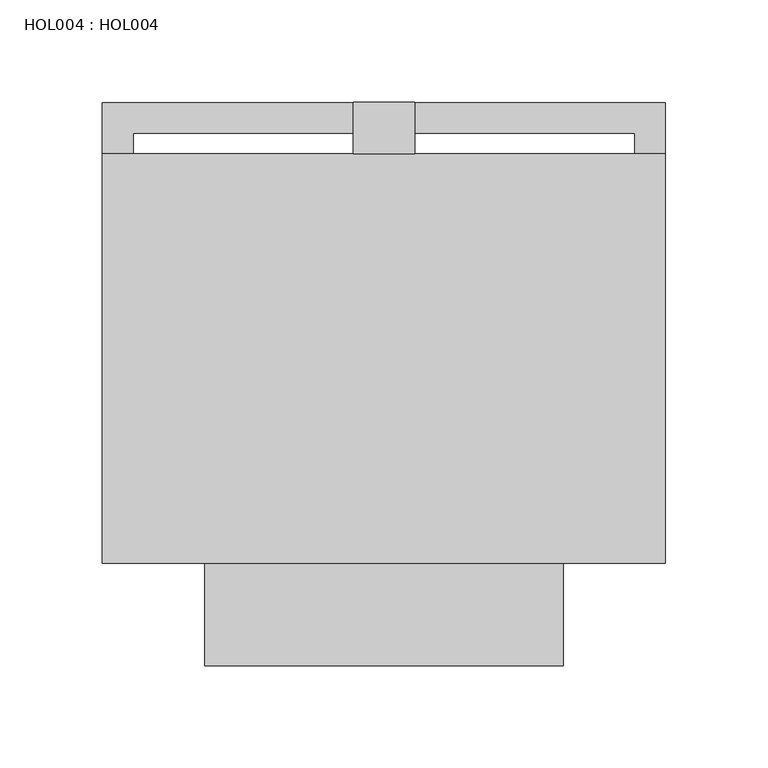
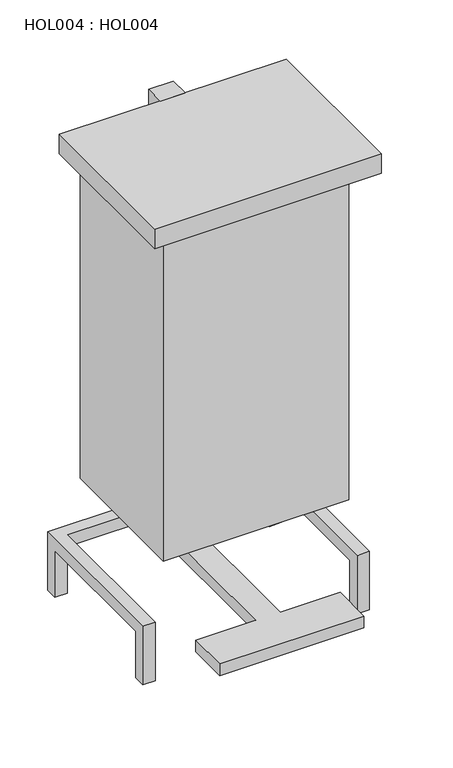
"""IFC4 building model written with IfcOpenShell, lengths in millimetres: proxy geometry, HOL004 : HOL004."""

import ifcopenshell
import ifcopenshell.guid

model = None  # the IFC model being written
_history = None  # IfcOwnerHistory: only IFC2X3 demands one
_inside = {}  # id of a spatial element -> (the spatial element, [elements in it])
_under = {}  # id of a project, library or spatial element -> (it, [spatial elements below it])
_declared = {}  # id of a project -> (the project, [libraries it declares])
_typed = {}  # id of a type object -> (the type object, [elements of that type])
_made_of = {}  # id of a material, layer set ... -> (it, [elements and type objects made of it])


def new_model(schema):
    """Start an empty IFC model of exactly this schema.

    Asked for "IFC4X3", IfcOpenShell would pick the latest addendum, in which some entities
    have other attributes; the version numbers below select the first issue.
    IFC2X3 requires an IfcOwnerHistory on every rooted entity: one is made here for all.
    """
    global model, _history
    if schema == "IFC4X3":
        model = ifcopenshell.file(schema_version=(4, 3, 0, 0))
    else:
        model = ifcopenshell.file(schema=schema)
    _inside.clear()
    _under.clear()
    _declared.clear()
    _typed.clear()
    _made_of.clear()
    _history = None
    if model.schema == "IFC2X3":
        org = make("IfcOrganization", Name="unknown")
        user = make(
            "IfcPersonAndOrganization",
            ThePerson=make("IfcPerson", FamilyName="unknown"),
            TheOrganization=org,
        )
        app = make(
            "IfcApplication",
            ApplicationDeveloper=org,
            Version="unknown",
            ApplicationFullName="unknown",
            ApplicationIdentifier="unknown",
        )
        _history = make(
            "IfcOwnerHistory",
            OwningUser=user,
            OwningApplication=app,
            ChangeAction="ADDED",
            CreationDate=0,
        )
    return model


def make(cls, **values):
    """One entity of the class cls with the attributes given. An attribute that is None is left unset."""
    return model.create_entity(
        cls, **{name: value for name, value in values.items() if value is not None}
    )


def rooted(cls, **values):
    """An entity with a GlobalId (a new one), such as an element, a storey or a relation."""
    return make(cls, GlobalId=ifcopenshell.guid.new(), OwnerHistory=_history, **values)


def si_unit(unit_type, name, prefix=None):
    """IfcSIUnit, for example si_unit("LENGTHUNIT", "METRE", prefix="MILLI")."""
    return make("IfcSIUnit", UnitType=unit_type, Prefix=prefix, Name=name)


def assignment(units):
    """IfcUnitAssignment: the units of a project."""
    return None if units is None else make("IfcUnitAssignment", Units=units)


def point(xyz):
    """IfcCartesianPoint."""
    return None if xyz is None else make("IfcCartesianPoint", Coordinates=xyz)


def direction(xyz):
    """IfcDirection."""
    return None if xyz is None else make("IfcDirection", DirectionRatios=xyz)


def frame(location, z_axis=None, x_axis=None):
    """IfcAxis2Placement3D, a coordinate frame: its origin and axes. An axis left out is left unset."""
    return make(
        "IfcAxis2Placement3D",
        Location=point(location),
        Axis=direction(z_axis),
        RefDirection=direction(x_axis),
    )


def origin():
    """The frame at (0, 0, 0) with its axes left unset."""
    return frame((0.0, 0.0, 0.0))


def place(relative_to, where):
    """IfcLocalPlacement: puts the frame where relative to a parent placement (None: the world)."""
    return make(
        "IfcLocalPlacement", PlacementRelTo=relative_to, RelativePlacement=where
    )


def context(
    kind, dimensions, precision=None, world=None, true_north=None, identifier=None
):
    """IfcGeometricRepresentationContext, for example the 3D "Model" context."""
    return make(
        "IfcGeometricRepresentationContext",
        ContextIdentifier=identifier,
        ContextType=kind,
        CoordinateSpaceDimension=dimensions,
        Precision=precision,
        WorldCoordinateSystem=world,
        TrueNorth=true_north,
    )


def project(units=None, contexts=None):
    """IfcProject with its units and contexts."""
    return rooted(
        "IfcProject",
        Name="project",
        RepresentationContexts=contexts,
        UnitsInContext=assignment(units),
    )


def spatial(cls, under=None, at=None, **own):
    """A site, building, storey or space (cls), placed at a placement, below another one or the project."""
    s = rooted(cls, ObjectPlacement=at, **own)
    if under is not None:
        _under.setdefault(under.id(), (under, []))[1].append(s)
    return s


def polyline(points):
    """IfcPolyline through the points."""
    return make("IfcPolyline", Points=[point(p) for p in points])


def outline(outer, holes=None, kind="AREA"):
    """IfcArbitraryClosedProfileDef: a profile drawn as a closed curve; with holes, ...WithVoids."""
    if holes is None:
        return make("IfcArbitraryClosedProfileDef", ProfileType=kind, OuterCurve=outer)
    return make(
        "IfcArbitraryProfileDefWithVoids",
        ProfileType=kind,
        OuterCurve=outer,
        InnerCurves=holes,
    )


def extrude(swept, where, along, depth):
    """IfcExtrudedAreaSolid: the profile swept, set in the frame where, extruded along a direction by depth."""
    return make(
        "IfcExtrudedAreaSolid",
        SweptArea=swept,
        Position=where,
        ExtrudedDirection=direction(along),
        Depth=depth,
    )


def faces_of(points, faces, orient=None, outer=None):
    """IfcFace entities. A face is a list of loops; a loop is a list of indices into points, from 0.

    orient and outer hold one flag for each loop. By default every Orientation is true, the
    first loop of a face is its IfcFaceOuterBound and the others are IfcFaceBound.
    """
    made = []
    for i, loops in enumerate(faces):
        bounds = []
        for j, loop in enumerate(loops):
            is_outer = j == 0 if outer is None else outer[i][j]
            bounds.append(
                make(
                    "IfcFaceOuterBound" if is_outer else "IfcFaceBound",
                    Bound=make("IfcPolyLoop", Polygon=[points[k] for k in loop]),
                    Orientation=True if orient is None else orient[i][j],
                )
            )
        made.append(make("IfcFace", Bounds=bounds))
    return made


def faceted_brep(points, faces, orient=None, outer=None, voids=None):
    """IfcFacetedBrep: a solid bounded by flat faces; with voids (closed shells), ...WithVoids."""
    shared = [point(p) for p in points]
    hull = make("IfcClosedShell", CfsFaces=faces_of(shared, faces, orient, outer))
    if voids is None:
        return make("IfcFacetedBrep", Outer=hull)
    return make(
        "IfcFacetedBrepWithVoids",
        Outer=hull,
        Voids=[
            make(cls, CfsFaces=faces_of(shared, fs, o, b)) for cls, fs, o, b in voids
        ],
    )


def shape(context_of_items, identifier, shape_type, items):
    """IfcShapeRepresentation: the items that make up one representation, for example the "Body"."""
    return make(
        "IfcShapeRepresentation",
        ContextOfItems=context_of_items,
        RepresentationIdentifier=identifier,
        RepresentationType=shape_type,
        Items=items,
    )


def source(mapping_origin, context_of_items, identifier, shape_type, items):
    """IfcRepresentationMap: a shape defined once, which mapped items show again and again."""
    return make(
        "IfcRepresentationMap",
        MappingOrigin=mapping_origin,
        MappedRepresentation=shape(context_of_items, identifier, shape_type, items),
    )


def transform(
    local_origin,
    x_axis=None,
    y_axis=None,
    z_axis=None,
    scale=None,
    scale2=None,
    scale3=None,
    uniform=True,
):
    """IfcCartesianTransformationOperator3D, or its non-uniform kind. x_axis, y_axis, z_axis: its Axis1, 2, 3."""
    if uniform:
        return make(
            "IfcCartesianTransformationOperator3D",
            Axis1=direction(x_axis),
            Axis2=direction(y_axis),
            LocalOrigin=point(local_origin),
            Scale=scale,
            Axis3=direction(z_axis),
        )
    return make(
        "IfcCartesianTransformationOperator3DnonUniform",
        Axis1=direction(x_axis),
        Axis2=direction(y_axis),
        LocalOrigin=point(local_origin),
        Scale=scale,
        Axis3=direction(z_axis),
        Scale2=scale2,
        Scale3=scale3,
    )


def mapped(mapping_source, mapping_target):
    """IfcMappedItem: shows the shape of a source again, moved by a transform."""
    return make(
        "IfcMappedItem", MappingSource=mapping_source, MappingTarget=mapping_target
    )


def made_of(thing, what):
    """Note that an element or type object is made of a material, layer set ...; save() writes the relation."""
    if what is not None:
        _made_of.setdefault(what.id(), (what, []))[1].append(thing)
    return thing


def element(
    cls,
    number,
    at=None,
    inside=None,
    cuts=None,
    type_object=None,
    material=None,
    context=None,
    identifier="Body",
    shape_type=None,
    held_by="IfcProductDefinitionShape",
    body=None,
    shapes=None,
    **own,
):
    """One element of the class cls, such as IfcWall. Its Tag is "e" and its number.

    at: its placement. inside: the storey or other place that contains it. cuts: it is an
    opening in that element (IfcRelVoidsElement). A single representation is given by context,
    identifier, shape_type and body (its items); several are given by shapes. held_by: the class
    of the entity that holds the representations. save() writes the other relations.
    """
    e = rooted(cls, Tag="e%d" % number, ObjectPlacement=at, **own)
    if body is not None:
        shapes = [shape(context, identifier, shape_type, body)]
    if shapes is not None:
        e.Representation = make(held_by, Representations=shapes)
    if inside is not None:
        _inside.setdefault(inside.id(), (inside, []))[1].append(e)
    if cuts is not None:
        rooted(
            "IfcRelVoidsElement", RelatingBuildingElement=cuts, RelatedOpeningElement=e
        )
    if type_object is not None:
        _typed.setdefault(type_object.id(), (type_object, []))[1].append(e)
    return made_of(e, material)


def aggregate(whole, parts):
    """IfcRelAggregates: a whole, such as a stair, and the parts it consists of."""
    return rooted("IfcRelAggregates", RelatingObject=whole, RelatedObjects=parts)


def save(model, path):
    """Write the relations noted so far, then the file.

    IfcRelAggregates (storeys below a building ...), IfcRelContainedInSpatialStructure (elements
    in a storey), IfcRelDefinesByType, IfcRelAssociatesMaterial and IfcRelDeclares: one each for
    every whole, place, type object, material and project.
    """
    for whole, parts in _under.values():
        aggregate(whole, parts)
    for where, things in _inside.values():
        rooted(
            "IfcRelContainedInSpatialStructure",
            RelatedElements=things,
            RelatingStructure=where,
        )
    for kind, things in _typed.values():
        rooted("IfcRelDefinesByType", RelatedObjects=things, RelatingType=kind)
    for what, things in _made_of.values():
        rooted("IfcRelAssociatesMaterial", RelatedObjects=things, RelatingMaterial=what)
    for by, libraries in _declared.values():
        rooted("IfcRelDeclares", RelatingContext=by, RelatedDefinitions=libraries)
    model.write(path)


def hol004_hol004_cf2be0a1(model_context):
    return source(origin(), model_context, "Body", "SolidModel", [
        faceted_brep([(-14.9999997, -225.0000017, 54.9999995), (-87.5000007, -225.0000017, 54.9999995), (-87.5000007, -275.0000021, 54.9999995), (87.5000007, -275.0000021, 54.9999995), (87.5000007, -225.0000017, 54.9999995), (14.9999997, -225.0000017, 54.9999995), (14.9999997, -25.0000002, 54.9999995), (-14.9999997, -25.0000002, 54.9999995), (-14.9999997, -225.0000017, 40.0000021), (-14.9999997, 0.0, 40.0000021), (14.9999997, 0.0, 40.0000021), (14.9999997, -225.0000017, 40.0000021), (87.5000007, -225.0000017, 40.0000021), (87.5000007, -275.0000021, 40.0000021), (-87.5000007, -275.0000021, 40.0000021), (-87.5000007, -225.0000017, 40.0000021), (14.9999997, 0.0, 600.0000046), (14.9999997, -25.0000002, 600.0000046), (-14.9999997, 0.0, 600.0000046), (-14.9999997, -25.0000002, 600.0000046)], [[[0, 1, 2, 3, 4, 5, 6, 7]], [[8, 9, 10, 11, 12, 13, 14, 15]], [[1, 0, 8, 15]], [[2, 1, 15, 14]], [[3, 2, 14, 13]], [[4, 3, 13, 12]], [[5, 4, 12, 11]], [[5, 11, 10, 16, 17, 6]], [[16, 10, 9, 18]], [[8, 0, 7, 19, 18, 9]], [[17, 16, 18, 19]], [[17, 19, 7, 6]]]),
        faceted_brep([(-122.4999991, 0.0, 0.0), (-122.4999991, -14.9999997, 0.0), (-137.500001, -14.9999997, 0.0), (-137.500001, 0.0, 0.0), (-122.4999991, -185.0000087, 0.0), (-122.4999991, -200.0000015, 0.0), (-137.500001, -200.0000015, 0.0), (-137.500001, -185.0000087, 0.0), (137.500001, 0.0, 0.0), (137.500001, -14.9999997, 0.0), (122.4999991, -14.9999997, 0.0), (122.4999991, 0.0, 0.0), (137.500001, -185.0000087, 0.0), (137.500001, -200.0000015, 0.0), (122.4999991, -200.0000015, 0.0), (122.4999991, -185.0000087, 0.0), (-137.500001, 0.0, 75.0000006), (137.500001, 0.0, 75.0000006), (122.4999991, 0.0, 59.9999986), (-122.4999991, 0.0, 59.9999986), (-137.500001, -14.9999997, 59.9999986), (-137.500001, -185.0000087, 59.9999986), (-137.500001, -200.0000015, 75.0000006), (-122.4999991, -14.9999997, 59.9999986), (-122.4999991, -185.0000087, 59.9999986), (-122.4999991, -200.0000015, 75.0000006), (-122.4999991, -14.9999997, 75.0000006), (122.4999991, -14.9999997, 59.9999986), (137.500001, -14.9999997, 59.9999986), (137.500001, -200.0000015, 75.0000006), (137.500001, -185.0000087, 59.9999986), (122.4999991, -185.0000087, 59.9999986), (122.4999991, -200.0000015, 75.0000006), (122.4999991, -14.9999997, 75.0000006)], [[[0, 1, 2, 3]], [[4, 5, 6, 7]], [[8, 9, 10, 11]], [[12, 13, 14, 15]], [[0, 3, 16, 17, 8, 11, 18, 19]], [[16, 3, 2, 20, 21, 7, 6, 22]], [[2, 1, 23, 20]], [[1, 0, 19, 23]], [[4, 7, 21, 24]], [[22, 6, 5, 25]], [[25, 5, 4, 24, 23, 26]], [[11, 10, 27, 18]], [[10, 9, 28, 27]], [[9, 8, 17, 29, 13, 12, 30, 28]], [[12, 15, 31, 30]], [[15, 14, 32, 33, 27, 31]], [[32, 14, 13, 29]], [[16, 22, 25, 26, 33, 32, 29, 17]], [[23, 24, 21, 20]], [[28, 30, 31, 27]], [[27, 23, 19, 18]], [[33, 26, 23, 27]]]),
        extrude(outline(polyline([(137.500001, -25.0000002), (137.500001, -225.0000017), (-137.500001, -225.0000017), (-137.500001, -25.0000002), (137.500001, -25.0000002)])), frame((0.0, 0.0, 575.0000044), z_axis=(0.0, 0.0, 1.0), x_axis=(1.0, 0.0, 0.0)), (0.0, 0.0, 1.0), 25.0000002),
        extrude(outline(polyline([(112.5000009, -200.0000015), (-112.5000009, -200.0000015), (-112.5000009, -25.0000002), (112.5000009, -25.0000002), (112.5000009, -200.0000015)])), frame((0.0, 0.0, 150.0000011), z_axis=(0.0, 0.0, 1.0), x_axis=(1.0, 0.0, 0.0)), (0.0, 0.0, 1.0), 425.0000032),
    ])


if __name__ == "__main__":
    model = new_model("IFC4")
    model_context = context("Model", 3, world=origin())
    ifc_project = project(units=[si_unit("LENGTHUNIT", "METRE", prefix="MILLI")], contexts=[model_context])
    site = spatial("IfcSite", under=ifc_project)
    building = spatial("IfcBuilding", under=site)
    placement = place(None, origin())
    hol004_hol004_shape = hol004_hol004_cf2be0a1(model_context)
    element("IfcBuildingElementProxy", 1, Name="HOL004 : HOL004", ObjectType="HOL004 : HOL004", at=placement, inside=building, context=model_context, shape_type="MappedRepresentation", body=[
        mapped(hol004_hol004_shape, transform((0.0, 0.0, 0.0), x_axis=(1.0, 0.0, 0.0), y_axis=(0.0, 1.0, 0.0), z_axis=(0.0, 0.0, 1.0))),
    ])
    save(model, "model.ifc")
